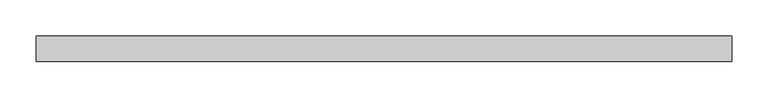
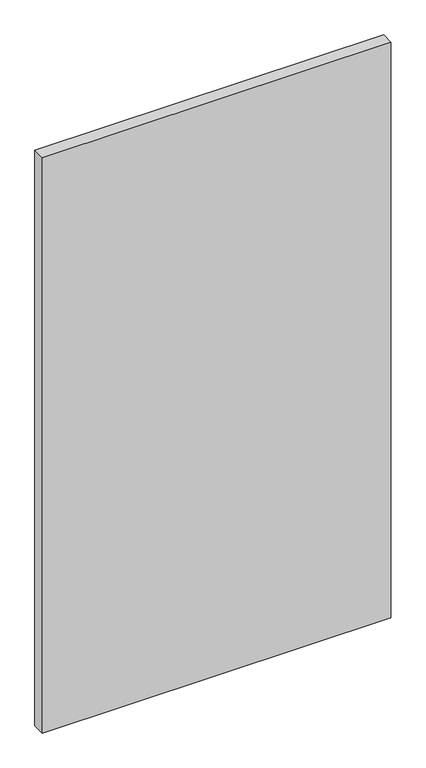
"""IFC4 building model written with IfcOpenShell, lengths in millimetres: plate geometry."""

from ifc_helpers import new_model, si_unit, origin, origin_with_axes, place, context, project, spatial, polyline, outline, extrude, source, transform, mapped, element, save


def plate_6570f17c(model_context):
    return source(origin(), model_context, "Body", "SweptSolid", [
        extrude(outline(polyline([(480.0625, -17.5), (-480.0625, -17.5), (-480.0625, 17.5), (480.0625, 17.5), (480.0625, -17.5)])), origin_with_axes(), (0.0, 0.0, 1.0), 1674.8125),
    ])


if __name__ == "__main__":
    model = new_model("IFC4")
    model_context = context("Model", 3, world=origin())
    ifc_project = project(units=[si_unit("LENGTHUNIT", "METRE", prefix="MILLI")], contexts=[model_context])
    site = spatial("IfcSite", under=ifc_project)
    building = spatial("IfcBuilding", under=site)
    placement = place(None, origin())
    plate_shape = plate_6570f17c(model_context)
    element("IfcPlate", 1, at=placement, inside=building, context=model_context, shape_type="MappedRepresentation", body=[
        mapped(plate_shape, transform((0.0, 0.0, 0.0), x_axis=(1.0, 0.0, 0.0), y_axis=(0.0, 1.0, 0.0), z_axis=(0.0, 0.0, 1.0))),
    ])
    save(model, "model.ifc")
